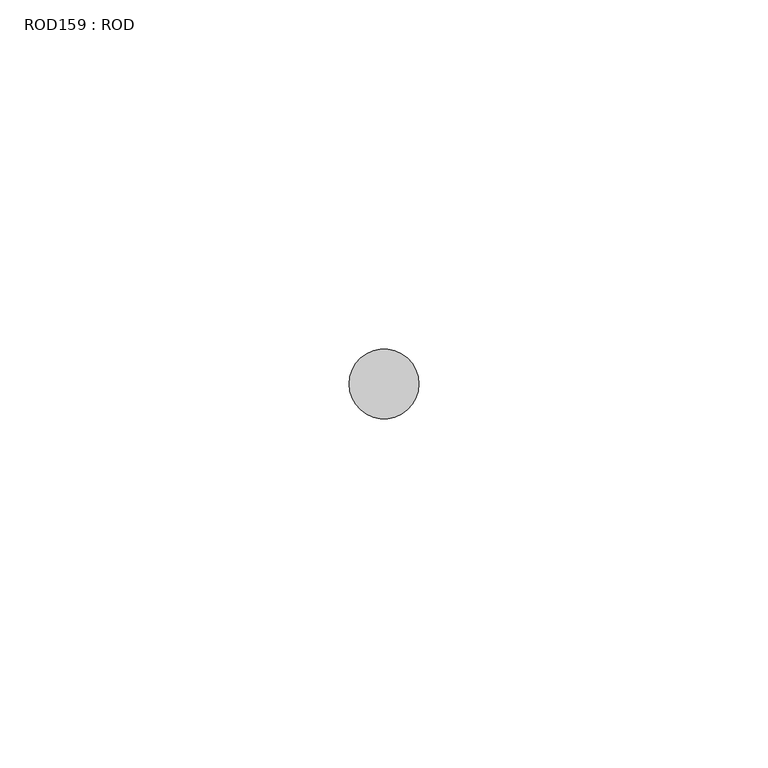
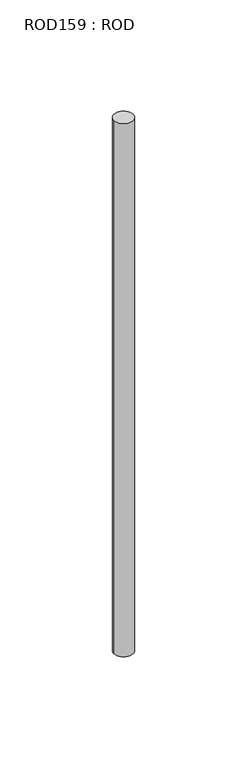
"""IFC4 building model written with IfcOpenShell, lengths in millimetres: proxy geometry, ROD159 : ROD."""

from ifc_helpers import new_model, si_unit, point, frame, frame_2d, origin, place, context, project, spatial, circle_curve, trimmed, segment, composite_curve, outline, extrude, source, transform, mapped, element, save


def rod159_rod_f47df2e4(model_context):
    return source(origin(), model_context, "Body", "SweptSolid", [
        extrude(outline(composite_curve([segment(trimmed(circle_curve(frame_2d((-6167.2215616, -12414.6300853)), 5.0), [point((-6172.2215616, -12414.6300853))], [point((-6162.2215616, -12414.6300853))], False, "CARTESIAN"), True, "CONTINUOUS"), segment(trimmed(circle_curve(frame_2d((-6167.2215616, -12414.6300853)), 5.0), [point((-6162.2215616, -12414.6300853))], [point((-6172.2215616, -12414.6300853))], False, "CARTESIAN"), True, "CONTINUOUS")], self_intersect=False)), frame((0.0, 0.0, -208.6608845), z_axis=(0.0, 0.0, 1.0), x_axis=(1.0, 0.0, 0.0)), (0.0, 0.0, 1.0), 298.9028972),
    ])


if __name__ == "__main__":
    model = new_model("IFC4")
    model_context = context("Model", 3, world=origin())
    ifc_project = project(units=[si_unit("LENGTHUNIT", "METRE", prefix="MILLI")], contexts=[model_context])
    site = spatial("IfcSite", under=ifc_project)
    building = spatial("IfcBuilding", under=site)
    placement = place(None, origin())
    rod159_rod_shape = rod159_rod_f47df2e4(model_context)
    element("IfcBuildingElementProxy", 1, Name="ROD159 : ROD", ObjectType="ROD159 : ROD", at=placement, inside=building, context=model_context, shape_type="MappedRepresentation", body=[
        mapped(rod159_rod_shape, transform((0.0, 0.0, 0.0), x_axis=(1.0, 0.0, 0.0), y_axis=(0.0, 1.0, 0.0), z_axis=(0.0, 0.0, 1.0))),
    ])
    save(model, "model.ifc")
